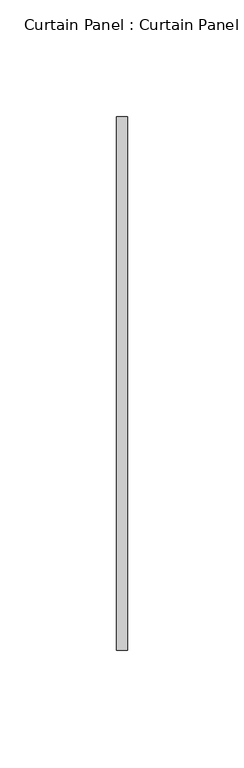
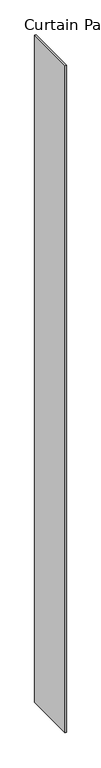
"""IFC4 building model written with IfcOpenShell, lengths in millimetres: plate geometry, Curtain Panel : Curtain Panel."""

from ifc_helpers import new_model, si_unit, origin, origin_with_axes, place, context, project, spatial, polyline, outline, extrude, source, transform, mapped, element, save


def curtain_panel_curtain_panel_e0b4d479(model_context):
    return source(origin(), model_context, "Body", "SweptSolid", [
        extrude(outline(polyline([(6884.4507342, 93060.0982822), (6884.4507342, 92831.4982822), (6879.6882342, 92831.4982822), (6879.6882342, 93060.0982822), (6884.4507342, 93060.0982822)])), origin_with_axes(), (0.0, 0.0, 1.0), 3048.0),
    ])


if __name__ == "__main__":
    model = new_model("IFC4")
    model_context = context("Model", 3, world=origin())
    ifc_project = project(units=[si_unit("LENGTHUNIT", "METRE", prefix="MILLI")], contexts=[model_context])
    site = spatial("IfcSite", under=ifc_project)
    building = spatial("IfcBuilding", under=site)
    placement = place(None, origin())
    curtain_panel_curtain_panel_shape = curtain_panel_curtain_panel_e0b4d479(model_context)
    element("IfcPlate", 1, ObjectType="Curtain Panel : Curtain Panel", at=placement, inside=building, context=model_context, shape_type="MappedRepresentation", body=[
        mapped(curtain_panel_curtain_panel_shape, transform((0.0, 0.0, 0.0), x_axis=(1.0, 0.0, 0.0), y_axis=(0.0, 1.0, 0.0), z_axis=(0.0, 0.0, 1.0))),
    ])
    save(model, "model.ifc")
